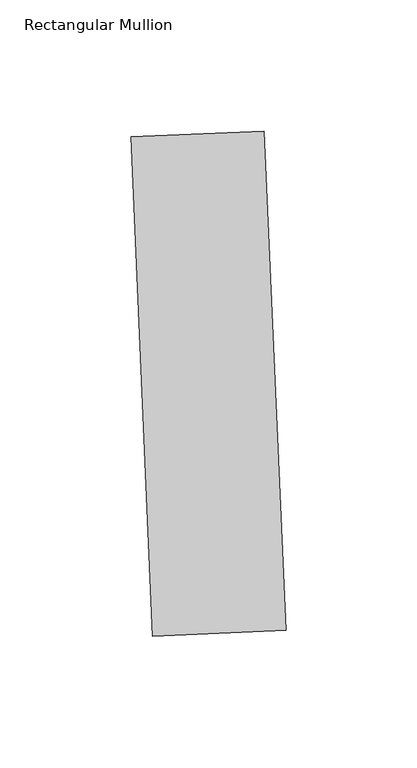
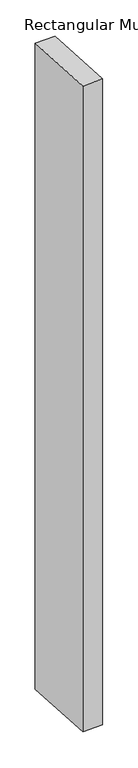
"""IFC4 building model written with IfcOpenShell, lengths in millimetres: member geometry, Rectangular Mullion."""

from ifc_helpers import new_model, si_unit, frame, origin, place, context, project, spatial, polyline, outline, extrude, source, transform, mapped, element, save


def rectangular_mullion_0f4fe632(model_context):
    return source(origin(), model_context, "Body", "SweptSolid", [
        extrude(outline(polyline([(32.4388941, -160.6629508), (-18.3127555, -162.8788157), (-26.6222488, 27.4398705), (24.1294008, 29.6557354), (32.4388941, -160.6629508)])), frame((0.0, 0.0, -1695.45), z_axis=(0.0, 0.0, 1.0), x_axis=(1.0, 0.0, 0.0)), (0.0, 0.0, 1.0), 1695.45),
    ])


if __name__ == "__main__":
    model = new_model("IFC4")
    model_context = context("Model", 3, world=origin())
    ifc_project = project(units=[si_unit("LENGTHUNIT", "METRE", prefix="MILLI")], contexts=[model_context])
    site = spatial("IfcSite", under=ifc_project)
    building = spatial("IfcBuilding", under=site)
    placement = place(None, origin())
    rectangular_mullion_shape = rectangular_mullion_0f4fe632(model_context)
    element("IfcMember", 1, ObjectType="Rectangular Mullion", at=placement, inside=building, context=model_context, shape_type="MappedRepresentation", body=[
        mapped(rectangular_mullion_shape, transform((0.0, 0.0, 0.0), x_axis=(1.0, 0.0, 0.0), y_axis=(0.0, 1.0, 0.0), z_axis=(0.0, 0.0, 1.0))),
    ])
    save(model, "model.ifc")
